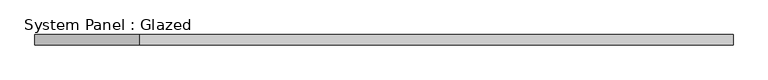
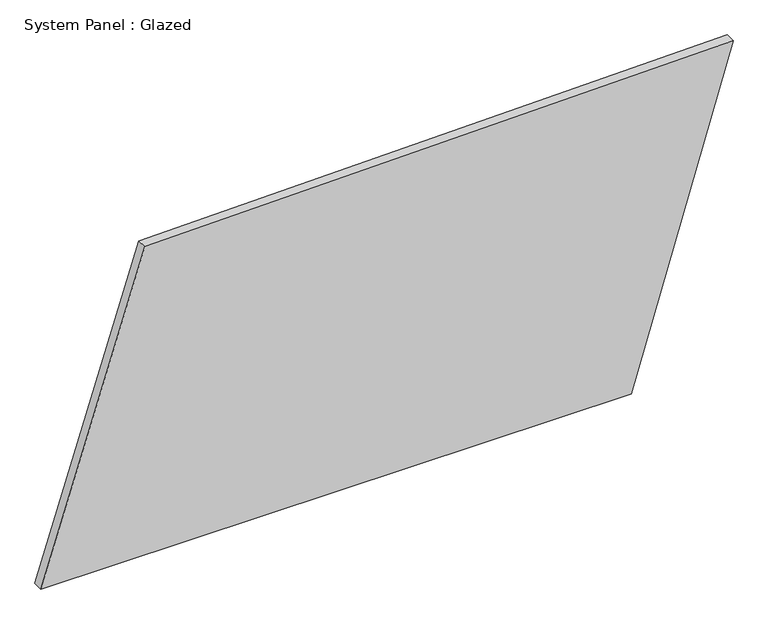
"""IFC4 building model written with IfcOpenShell, lengths in millimetres: plate geometry, System Panel : Glazed."""

from ifc_helpers import new_model, si_unit, frame, origin, place, context, project, spatial, polyline, outline, extrude, source, transform, mapped, element, save


def system_panel_glazed_029f8620(model_context):
    return source(origin(), model_context, "Body", "SweptSolid", [
        extrude(outline(polyline([(0.0, -848.8268835), (0.0, 598.7800223), (828.4705208, 848.8268835), (798.9339214, -593.825994), (0.0, -848.8268835)])), frame((0.0, -49.5, 0.0), z_axis=(0.0, 1.0, 0.0), x_axis=(0.0, 0.0, 1.0)), (0.0, 0.0, 1.0), 25.0),
    ])


if __name__ == "__main__":
    model = new_model("IFC4")
    model_context = context("Model", 3, world=origin())
    ifc_project = project(units=[si_unit("LENGTHUNIT", "METRE", prefix="MILLI")], contexts=[model_context])
    site = spatial("IfcSite", under=ifc_project)
    building = spatial("IfcBuilding", under=site)
    placement = place(None, origin())
    system_panel_glazed_shape = system_panel_glazed_029f8620(model_context)
    element("IfcPlate", 1, ObjectType="System Panel : Glazed", at=placement, inside=building, context=model_context, shape_type="MappedRepresentation", body=[
        mapped(system_panel_glazed_shape, transform((0.0, 0.0, 0.0), x_axis=(1.0, 0.0, 0.0), y_axis=(0.0, 1.0, 0.0), z_axis=(0.0, 0.0, 1.0))),
    ])
    save(model, "model.ifc")
